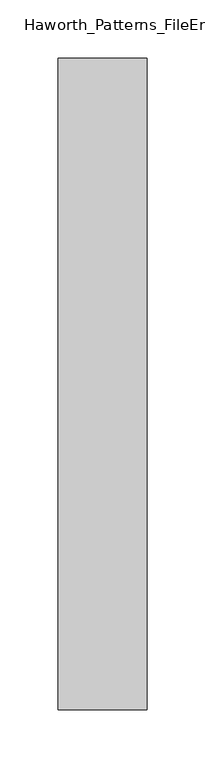
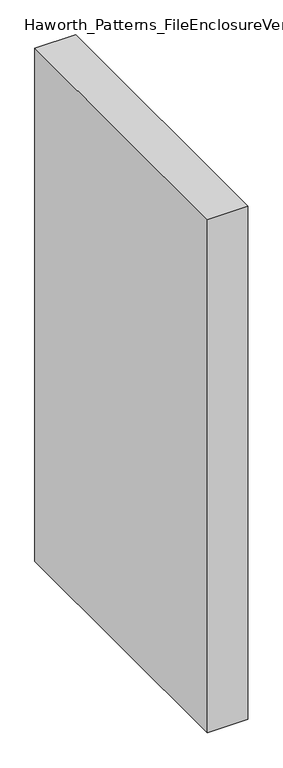
"""IFC4 building model written with IfcOpenShell, lengths in millimetres: furniture geometry, Haworth_Patterns_FileEnclosureVertical : 42.5h 22d."""

from ifc_helpers import new_model, si_unit, origin, origin_with_axes, place, context, project, spatial, polyline, outline, extrude, source, transform, mapped, element, save


def haworth_patterns_fileenclosurevertical_42_5h_22d_8bae23da(model_context):
    return source(origin(), model_context, "Body", "SweptSolid", [
        extrude(outline(polyline([(-38.1, 0.0), (38.1, 0.0), (38.1, -558.8), (-38.1, -558.8), (-38.1, 0.0)])), origin_with_axes(), (0.0, 0.0, 1.0), 1016.0),
        extrude(outline(polyline([(38.1, 0.0), (38.1, -558.8), (-38.1, -558.8), (-38.1, 0.0), (38.1, 0.0)])), origin_with_axes(), (0.0, 0.0, 1.0), 1016.0),
    ])


if __name__ == "__main__":
    model = new_model("IFC4")
    model_context = context("Model", 3, world=origin())
    ifc_project = project(units=[si_unit("LENGTHUNIT", "METRE", prefix="MILLI")], contexts=[model_context])
    site = spatial("IfcSite", under=ifc_project)
    building = spatial("IfcBuilding", under=site)
    placement = place(None, origin())
    haworth_patterns_fileenclosurevertical_42_5h_22d_shape = haworth_patterns_fileenclosurevertical_42_5h_22d_8bae23da(model_context)
    element("IfcFurniture", 1, ObjectType="Haworth_Patterns_FileEnclosureVertical : 42.5h 22d", at=placement, inside=building, context=model_context, shape_type="MappedRepresentation", body=[
        mapped(haworth_patterns_fileenclosurevertical_42_5h_22d_shape, transform((0.0, 0.0, 0.0), x_axis=(1.0, 0.0, 0.0), y_axis=(0.0, 1.0, 0.0), z_axis=(0.0, 0.0, 1.0))),
    ])
    save(model, "model.ifc")
